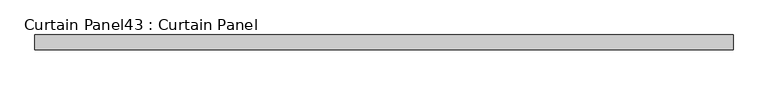
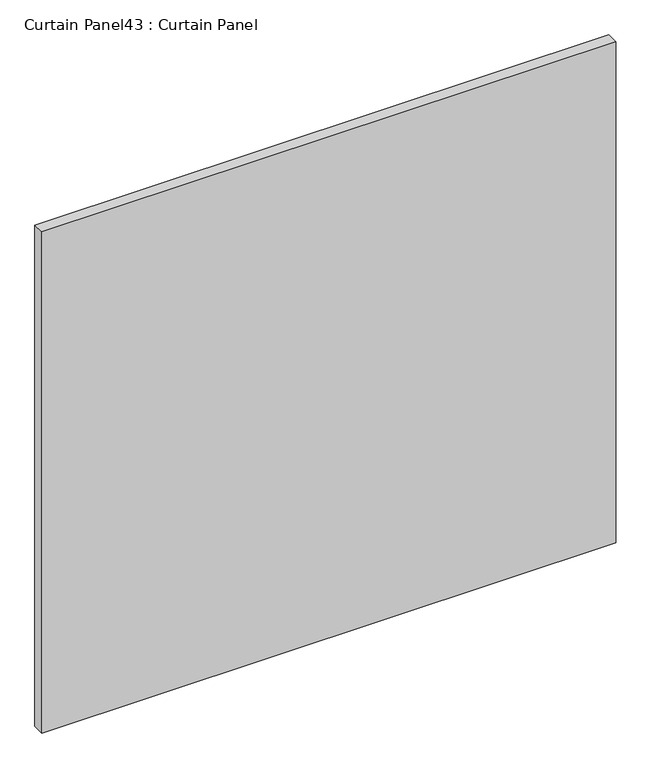
"""IFC4 building model written with IfcOpenShell, lengths in millimetres: plate geometry, Curtain Panel43 : Curtain Panel."""

from ifc_helpers import new_model, si_unit, frame, origin, place, context, project, spatial, polyline, outline, extrude, source, transform, mapped, element, save


def curtain_panel43_curtain_panel_c31b6abe(model_context):
    return source(origin(), model_context, "Body", "SweptSolid", [
        extrude(outline(polyline([(-408966.7652248, 7226.1665558), (-410166.9149983, 7226.1665558), (-410166.9149983, 7251.5665558), (-408966.7652248, 7251.5665558), (-408966.7652248, 7226.1665558)])), frame((0.0, 0.0, 2447.9251132), z_axis=(0.0, 0.0, 1.0), x_axis=(1.0, 0.0, 0.0)), (0.0, 0.0, 1.0), 1107.5851068),
    ])


if __name__ == "__main__":
    model = new_model("IFC4")
    model_context = context("Model", 3, world=origin())
    ifc_project = project(units=[si_unit("LENGTHUNIT", "METRE", prefix="MILLI")], contexts=[model_context])
    site = spatial("IfcSite", under=ifc_project)
    building = spatial("IfcBuilding", under=site)
    placement = place(None, origin())
    curtain_panel43_curtain_panel_shape = curtain_panel43_curtain_panel_c31b6abe(model_context)
    element("IfcPlate", 1, ObjectType="Curtain Panel43 : Curtain Panel", at=placement, inside=building, context=model_context, shape_type="MappedRepresentation", body=[
        mapped(curtain_panel43_curtain_panel_shape, transform((0.0, 0.0, 0.0), x_axis=(1.0, 0.0, 0.0), y_axis=(0.0, 1.0, 0.0), z_axis=(0.0, 0.0, 1.0))),
    ])
    save(model, "model.ifc")
